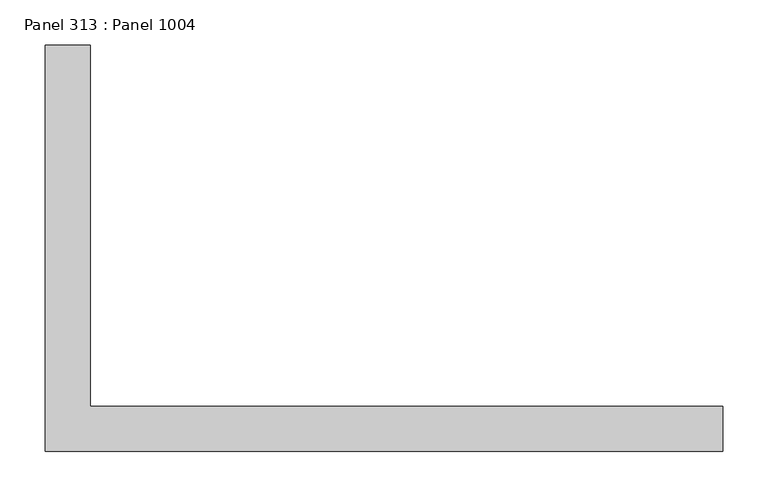
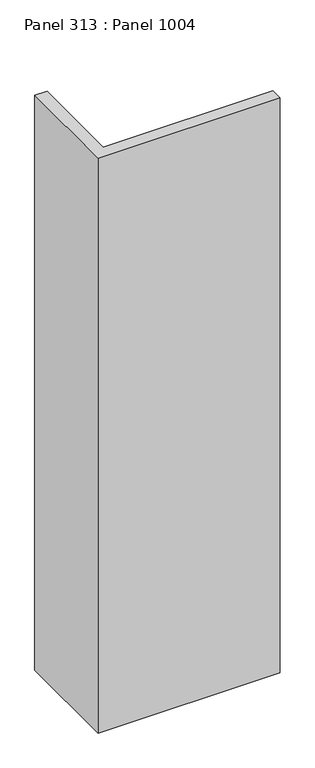
"""IFC4 building model written with IfcOpenShell, lengths in millimetres: proxy geometry, Panel 313 : Panel 1004."""

from ifc_helpers import new_model, si_unit, frame, origin, place, context, project, spatial, polyline, outline, extrude, source, transform, mapped, element, save


def panel_313_panel_1004_7468f0ff(model_context):
    return source(origin(), model_context, "Body", "SweptSolid", [
        extrude(outline(polyline([(26317.4758471, 328855.785656), (26317.4758633, 329305.785656), (26367.475904, 329305.7856553), (26367.4758877, 328905.7856807), (27067.4758473, 328905.7856687), (27067.4758464, 328855.785662), (26317.4758471, 328855.785656)])), frame((0.0, 0.0, 34575.0), z_axis=(0.0, 0.0, 1.0), x_axis=(1.0, 0.0, 0.0)), (0.0, 0.0, 1.0), 2500.0),
    ])


if __name__ == "__main__":
    model = new_model("IFC4")
    model_context = context("Model", 3, world=origin())
    ifc_project = project(units=[si_unit("LENGTHUNIT", "METRE", prefix="MILLI")], contexts=[model_context])
    site = spatial("IfcSite", under=ifc_project)
    building = spatial("IfcBuilding", under=site)
    placement = place(None, origin())
    panel_313_panel_1004_shape = panel_313_panel_1004_7468f0ff(model_context)
    element("IfcBuildingElementProxy", 1, Name="Panel 313 : Panel 1004", ObjectType="Panel 313 : Panel 1004", at=placement, inside=building, context=model_context, shape_type="MappedRepresentation", body=[
        mapped(panel_313_panel_1004_shape, transform((0.0, 0.0, 0.0), x_axis=(1.0, 0.0, 0.0), y_axis=(0.0, 1.0, 0.0), z_axis=(0.0, 0.0, 1.0))),
    ])
    save(model, "model.ifc")
